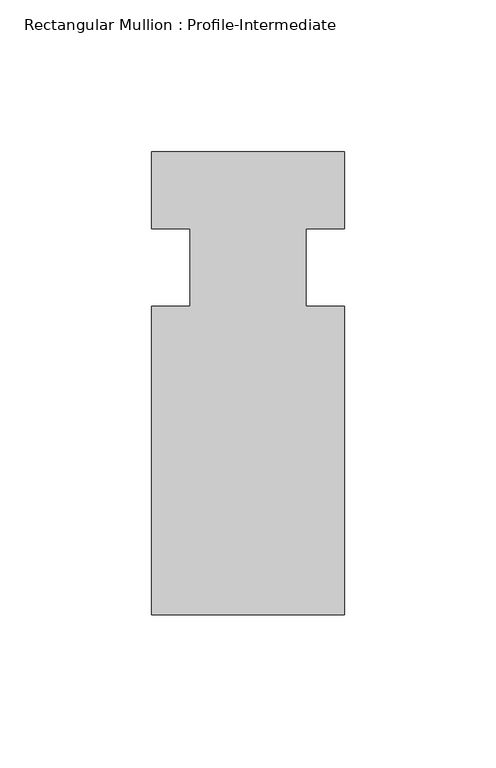
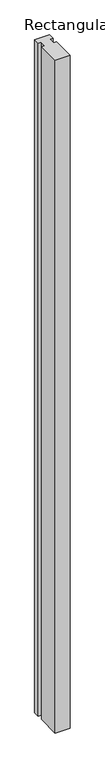
"""IFC4 building model written with IfcOpenShell, lengths in millimetres: member geometry, Rectangular Mullion : Profile-Intermediate."""

from ifc_helpers import new_model, si_unit, frame, origin, place, context, project, spatial, polyline, outline, extrude, source, transform, mapped, element, save


def rectangular_mullion_profile_intermediate_f4fcde1d(model_context):
    return source(origin(), model_context, "Body", "SweptSolid", [
        extrude(outline(polyline([(-63.5, 38.1), (0.0, 38.1), (0.0, 12.7), (-12.7, 12.7), (-12.7, -12.7), (0.0, -12.7), (0.0, -114.3), (-63.5, -114.3), (-63.5, -12.7), (-50.8, -12.7), (-50.8, 12.7), (-63.5, 12.7), (-63.5, 38.1)])), frame((0.0, 0.0, -3048.0), z_axis=(0.0, 0.0, 1.0), x_axis=(1.0, 0.0, 0.0)), (0.0, 0.0, 1.0), 3048.0),
    ])


if __name__ == "__main__":
    model = new_model("IFC4")
    model_context = context("Model", 3, world=origin())
    ifc_project = project(units=[si_unit("LENGTHUNIT", "METRE", prefix="MILLI")], contexts=[model_context])
    site = spatial("IfcSite", under=ifc_project)
    building = spatial("IfcBuilding", under=site)
    placement = place(None, origin())
    rectangular_mullion_profile_intermediate_shape = rectangular_mullion_profile_intermediate_f4fcde1d(model_context)
    element("IfcMember", 1, ObjectType="Rectangular Mullion : Profile-Intermediate", at=placement, inside=building, context=model_context, shape_type="MappedRepresentation", body=[
        mapped(rectangular_mullion_profile_intermediate_shape, transform((0.0, 0.0, 0.0), x_axis=(1.0, 0.0, 0.0), y_axis=(0.0, 1.0, 0.0), z_axis=(0.0, 0.0, 1.0))),
    ])
    save(model, "model.ifc")
